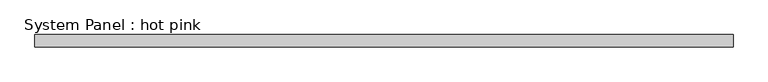
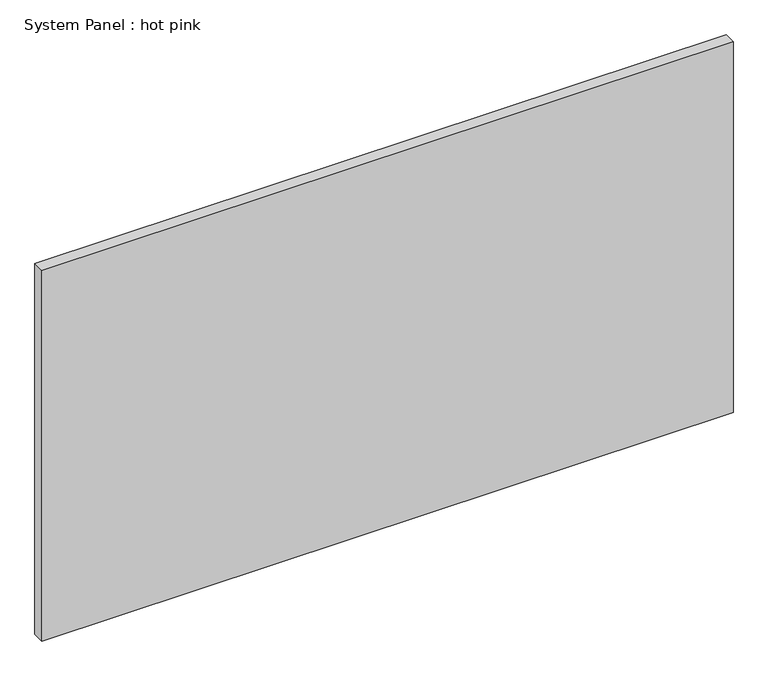
"""IFC4 building model written with IfcOpenShell, lengths in millimetres: plate geometry, System Panel : hot pink."""

from ifc_helpers import new_model, si_unit, origin, origin_with_axes, place, context, project, spatial, polyline, outline, extrude, source, transform, mapped, element, save


def system_panel_hot_pink_dac57a5a(model_context):
    return source(origin(), model_context, "Body", "SweptSolid", [
        extrude(outline(polyline([(1797.05, -44.45), (-1797.05, -44.45), (-1797.05, 19.05), (1797.05, 19.05), (1797.05, -44.45)])), origin_with_axes(), (0.0, 0.0, 1.0), 2038.35),
    ])


if __name__ == "__main__":
    model = new_model("IFC4")
    model_context = context("Model", 3, world=origin())
    ifc_project = project(units=[si_unit("LENGTHUNIT", "METRE", prefix="MILLI")], contexts=[model_context])
    site = spatial("IfcSite", under=ifc_project)
    building = spatial("IfcBuilding", under=site)
    placement = place(None, origin())
    system_panel_hot_pink_shape = system_panel_hot_pink_dac57a5a(model_context)
    element("IfcPlate", 1, ObjectType="System Panel : hot pink", at=placement, inside=building, context=model_context, shape_type="MappedRepresentation", body=[
        mapped(system_panel_hot_pink_shape, transform((0.0, 0.0, 0.0), x_axis=(1.0, 0.0, 0.0), y_axis=(0.0, 1.0, 0.0), z_axis=(0.0, 0.0, 1.0))),
    ])
    save(model, "model.ifc")
